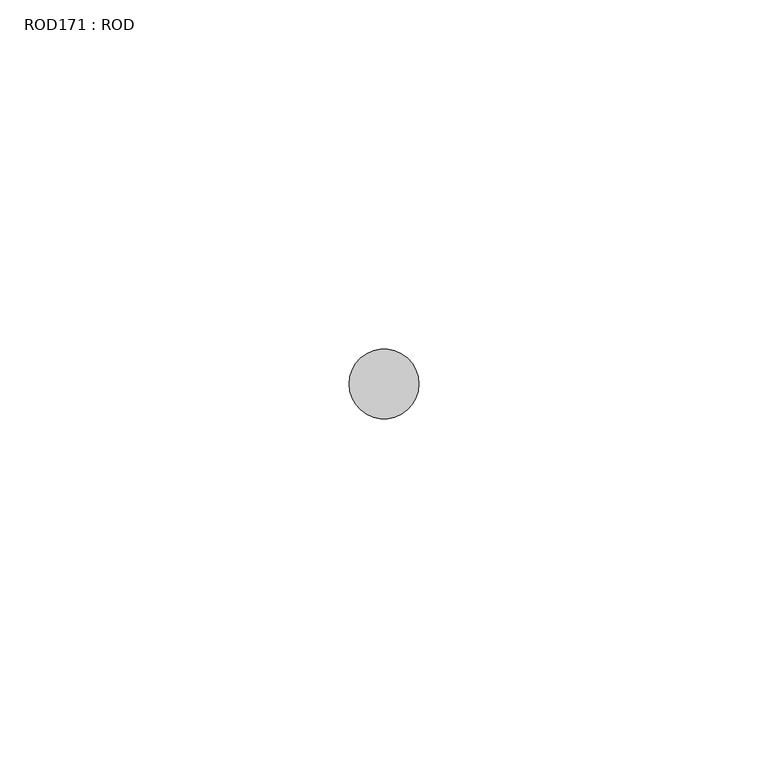
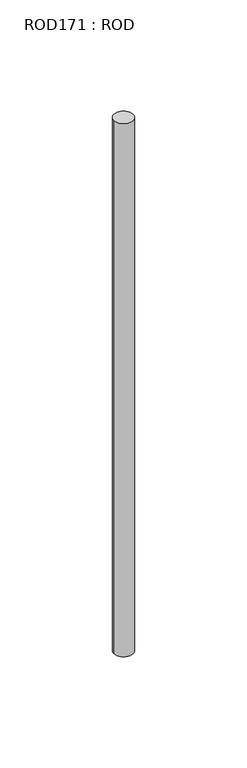
"""IFC4 building model written with IfcOpenShell, lengths in millimetres: proxy geometry, ROD171 : ROD."""

from ifc_helpers import new_model, si_unit, point, frame, frame_2d, origin, place, context, project, spatial, circle_curve, trimmed, segment, composite_curve, outline, extrude, source, transform, mapped, element, save


def rod171_rod_f69a7b04(model_context):
    return source(origin(), model_context, "Body", "SweptSolid", [
        extrude(outline(composite_curve([segment(trimmed(circle_curve(frame_2d((8099.7673324, -21766.6028424)), 5.0), [point((8094.7673324, -21766.6028424))], [point((8104.7673324, -21766.6028424))], False, "CARTESIAN"), True, "CONTINUOUS"), segment(trimmed(circle_curve(frame_2d((8099.7673324, -21766.6028424)), 5.0), [point((8104.7673324, -21766.6028424))], [point((8094.7673324, -21766.6028424))], False, "CARTESIAN"), True, "CONTINUOUS")], self_intersect=False)), frame((0.0, 0.0, 166.3391155), z_axis=(0.0, 0.0, 1.0), x_axis=(1.0, 0.0, 0.0)), (0.0, 0.0, 1.0), 298.9028972),
    ])


if __name__ == "__main__":
    model = new_model("IFC4")
    model_context = context("Model", 3, world=origin())
    ifc_project = project(units=[si_unit("LENGTHUNIT", "METRE", prefix="MILLI")], contexts=[model_context])
    site = spatial("IfcSite", under=ifc_project)
    building = spatial("IfcBuilding", under=site)
    placement = place(None, origin())
    rod171_rod_shape = rod171_rod_f69a7b04(model_context)
    element("IfcBuildingElementProxy", 1, Name="ROD171 : ROD", ObjectType="ROD171 : ROD", at=placement, inside=building, context=model_context, shape_type="MappedRepresentation", body=[
        mapped(rod171_rod_shape, transform((0.0, 0.0, 0.0), x_axis=(1.0, 0.0, 0.0), y_axis=(0.0, 1.0, 0.0), z_axis=(0.0, 0.0, 1.0))),
    ])
    save(model, "model.ifc")
